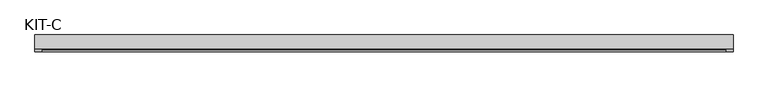
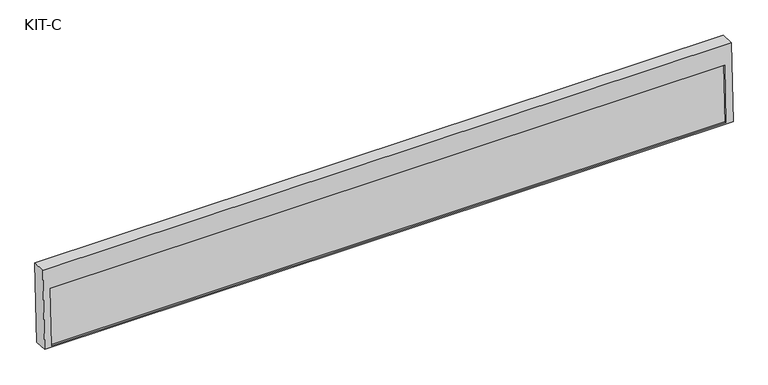
"""IFC4 building model written with IfcOpenShell, lengths in millimetres: plate geometry, KIT-C."""

from ifc_helpers import new_model, si_unit, frame, origin, place, context, project, spatial, polyline, outline, extrude, source, transform, mapped, element, save


def kit_c_4a712dc4(model_context):
    return source(origin(), model_context, "Body", "SweptSolid", [
        extrude(outline(polyline([(0.0, -1754.0), (0.0, 0.0), (27.4505712, 0.0), (27.4505712, -1754.0), (0.0, -1754.0)])), frame((-877.0, -25.9189057, 1031.9813695), z_axis=(0.0, 0.03973683410233642, 0.9992101801000245), x_axis=(0.0, 0.9992101801000245, -0.03973683410233642)), (0.0, 0.0, 1.0), 154.2315929),
        extrude(outline(polyline([(0.0, 0.0), (0.0, -1791.0), (-212.7, -1791.0), (-212.7, 0.0), (0.0, 0.0)]), holes=[polyline([(-55.0, -18.5), (-209.231593, -18.5), (-209.231593, -1772.5), (-55.0, -1772.5), (-55.0, -18.5)])]), frame((-895.5, 12.3716008, 1239.8556021), z_axis=(0.0, -0.9992101801000247, 0.03973683410233422), x_axis=(0.0, 0.03973683410233422, 0.9992101801000247)), (0.0, 0.0, 1.0), 35.0),
    ])


if __name__ == "__main__":
    model = new_model("IFC4")
    model_context = context("Model", 3, world=origin())
    ifc_project = project(units=[si_unit("LENGTHUNIT", "METRE", prefix="MILLI")], contexts=[model_context])
    site = spatial("IfcSite", under=ifc_project)
    building = spatial("IfcBuilding", under=site)
    placement = place(None, origin())
    kit_c_shape = kit_c_4a712dc4(model_context)
    element("IfcPlate", 1, ObjectType="KIT-C", at=placement, inside=building, context=model_context, shape_type="MappedRepresentation", body=[
        mapped(kit_c_shape, transform((0.0, 0.0, 0.0), x_axis=(1.0, 0.0, 0.0), y_axis=(0.0, 1.0, 0.0), z_axis=(0.0, 0.0, 1.0))),
    ])
    save(model, "model.ifc")
